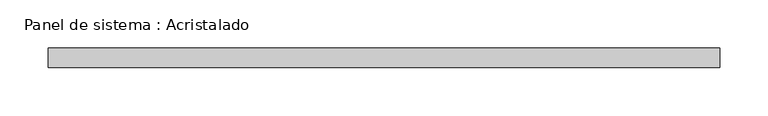
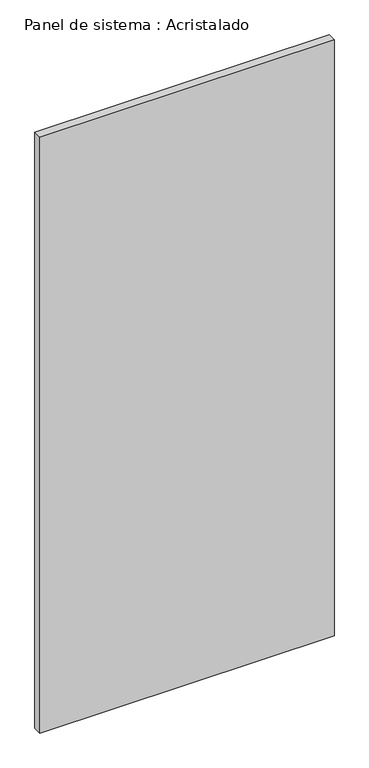
"""IFC4 building model written with IfcOpenShell, lengths in millimetres: plate geometry, Panel de sistema : Acristalado."""

import ifcopenshell
import ifcopenshell.guid

model = None  # the IFC model being written
_history = None  # IfcOwnerHistory: only IFC2X3 demands one
_inside = {}  # id of a spatial element -> (the spatial element, [elements in it])
_under = {}  # id of a project, library or spatial element -> (it, [spatial elements below it])
_declared = {}  # id of a project -> (the project, [libraries it declares])
_typed = {}  # id of a type object -> (the type object, [elements of that type])
_made_of = {}  # id of a material, layer set ... -> (it, [elements and type objects made of it])


def new_model(schema):
    """Start an empty IFC model of exactly this schema.

    Asked for "IFC4X3", IfcOpenShell would pick the latest addendum, in which some entities
    have other attributes; the version numbers below select the first issue.
    IFC2X3 requires an IfcOwnerHistory on every rooted entity: one is made here for all.
    """
    global model, _history
    if schema == "IFC4X3":
        model = ifcopenshell.file(schema_version=(4, 3, 0, 0))
    else:
        model = ifcopenshell.file(schema=schema)
    _inside.clear()
    _under.clear()
    _declared.clear()
    _typed.clear()
    _made_of.clear()
    _history = None
    if model.schema == "IFC2X3":
        org = make("IfcOrganization", Name="unknown")
        user = make(
            "IfcPersonAndOrganization",
            ThePerson=make("IfcPerson", FamilyName="unknown"),
            TheOrganization=org,
        )
        app = make(
            "IfcApplication",
            ApplicationDeveloper=org,
            Version="unknown",
            ApplicationFullName="unknown",
            ApplicationIdentifier="unknown",
        )
        _history = make(
            "IfcOwnerHistory",
            OwningUser=user,
            OwningApplication=app,
            ChangeAction="ADDED",
            CreationDate=0,
        )
    return model


def make(cls, **values):
    """One entity of the class cls with the attributes given. An attribute that is None is left unset."""
    return model.create_entity(
        cls, **{name: value for name, value in values.items() if value is not None}
    )


def rooted(cls, **values):
    """An entity with a GlobalId (a new one), such as an element, a storey or a relation."""
    return make(cls, GlobalId=ifcopenshell.guid.new(), OwnerHistory=_history, **values)


def si_unit(unit_type, name, prefix=None):
    """IfcSIUnit, for example si_unit("LENGTHUNIT", "METRE", prefix="MILLI")."""
    return make("IfcSIUnit", UnitType=unit_type, Prefix=prefix, Name=name)


def assignment(units):
    """IfcUnitAssignment: the units of a project."""
    return None if units is None else make("IfcUnitAssignment", Units=units)


def point(xyz):
    """IfcCartesianPoint."""
    return None if xyz is None else make("IfcCartesianPoint", Coordinates=xyz)


def direction(xyz):
    """IfcDirection."""
    return None if xyz is None else make("IfcDirection", DirectionRatios=xyz)


def frame(location, z_axis=None, x_axis=None):
    """IfcAxis2Placement3D, a coordinate frame: its origin and axes. An axis left out is left unset."""
    return make(
        "IfcAxis2Placement3D",
        Location=point(location),
        Axis=direction(z_axis),
        RefDirection=direction(x_axis),
    )


def origin():
    """The frame at (0, 0, 0) with its axes left unset."""
    return frame((0.0, 0.0, 0.0))


def origin_with_axes():
    """The frame at (0, 0, 0) with the z axis (0, 0, 1) and the x axis (1, 0, 0) written out."""
    return frame((0.0, 0.0, 0.0), z_axis=(0.0, 0.0, 1.0), x_axis=(1.0, 0.0, 0.0))


def place(relative_to, where):
    """IfcLocalPlacement: puts the frame where relative to a parent placement (None: the world)."""
    return make(
        "IfcLocalPlacement", PlacementRelTo=relative_to, RelativePlacement=where
    )


def context(
    kind, dimensions, precision=None, world=None, true_north=None, identifier=None
):
    """IfcGeometricRepresentationContext, for example the 3D "Model" context."""
    return make(
        "IfcGeometricRepresentationContext",
        ContextIdentifier=identifier,
        ContextType=kind,
        CoordinateSpaceDimension=dimensions,
        Precision=precision,
        WorldCoordinateSystem=world,
        TrueNorth=true_north,
    )


def project(units=None, contexts=None):
    """IfcProject with its units and contexts."""
    return rooted(
        "IfcProject",
        Name="project",
        RepresentationContexts=contexts,
        UnitsInContext=assignment(units),
    )


def spatial(cls, under=None, at=None, **own):
    """A site, building, storey or space (cls), placed at a placement, below another one or the project."""
    s = rooted(cls, ObjectPlacement=at, **own)
    if under is not None:
        _under.setdefault(under.id(), (under, []))[1].append(s)
    return s


def polyline(points):
    """IfcPolyline through the points."""
    return make("IfcPolyline", Points=[point(p) for p in points])


def outline(outer, holes=None, kind="AREA"):
    """IfcArbitraryClosedProfileDef: a profile drawn as a closed curve; with holes, ...WithVoids."""
    if holes is None:
        return make("IfcArbitraryClosedProfileDef", ProfileType=kind, OuterCurve=outer)
    return make(
        "IfcArbitraryProfileDefWithVoids",
        ProfileType=kind,
        OuterCurve=outer,
        InnerCurves=holes,
    )


def extrude(swept, where, along, depth):
    """IfcExtrudedAreaSolid: the profile swept, set in the frame where, extruded along a direction by depth."""
    return make(
        "IfcExtrudedAreaSolid",
        SweptArea=swept,
        Position=where,
        ExtrudedDirection=direction(along),
        Depth=depth,
    )


def shape(context_of_items, identifier, shape_type, items):
    """IfcShapeRepresentation: the items that make up one representation, for example the "Body"."""
    return make(
        "IfcShapeRepresentation",
        ContextOfItems=context_of_items,
        RepresentationIdentifier=identifier,
        RepresentationType=shape_type,
        Items=items,
    )


def source(mapping_origin, context_of_items, identifier, shape_type, items):
    """IfcRepresentationMap: a shape defined once, which mapped items show again and again."""
    return make(
        "IfcRepresentationMap",
        MappingOrigin=mapping_origin,
        MappedRepresentation=shape(context_of_items, identifier, shape_type, items),
    )


def transform(
    local_origin,
    x_axis=None,
    y_axis=None,
    z_axis=None,
    scale=None,
    scale2=None,
    scale3=None,
    uniform=True,
):
    """IfcCartesianTransformationOperator3D, or its non-uniform kind. x_axis, y_axis, z_axis: its Axis1, 2, 3."""
    if uniform:
        return make(
            "IfcCartesianTransformationOperator3D",
            Axis1=direction(x_axis),
            Axis2=direction(y_axis),
            LocalOrigin=point(local_origin),
            Scale=scale,
            Axis3=direction(z_axis),
        )
    return make(
        "IfcCartesianTransformationOperator3DnonUniform",
        Axis1=direction(x_axis),
        Axis2=direction(y_axis),
        LocalOrigin=point(local_origin),
        Scale=scale,
        Axis3=direction(z_axis),
        Scale2=scale2,
        Scale3=scale3,
    )


def mapped(mapping_source, mapping_target):
    """IfcMappedItem: shows the shape of a source again, moved by a transform."""
    return make(
        "IfcMappedItem", MappingSource=mapping_source, MappingTarget=mapping_target
    )


def made_of(thing, what):
    """Note that an element or type object is made of a material, layer set ...; save() writes the relation."""
    if what is not None:
        _made_of.setdefault(what.id(), (what, []))[1].append(thing)
    return thing


def element(
    cls,
    number,
    at=None,
    inside=None,
    cuts=None,
    type_object=None,
    material=None,
    context=None,
    identifier="Body",
    shape_type=None,
    held_by="IfcProductDefinitionShape",
    body=None,
    shapes=None,
    **own,
):
    """One element of the class cls, such as IfcWall. Its Tag is "e" and its number.

    at: its placement. inside: the storey or other place that contains it. cuts: it is an
    opening in that element (IfcRelVoidsElement). A single representation is given by context,
    identifier, shape_type and body (its items); several are given by shapes. held_by: the class
    of the entity that holds the representations. save() writes the other relations.
    """
    e = rooted(cls, Tag="e%d" % number, ObjectPlacement=at, **own)
    if body is not None:
        shapes = [shape(context, identifier, shape_type, body)]
    if shapes is not None:
        e.Representation = make(held_by, Representations=shapes)
    if inside is not None:
        _inside.setdefault(inside.id(), (inside, []))[1].append(e)
    if cuts is not None:
        rooted(
            "IfcRelVoidsElement", RelatingBuildingElement=cuts, RelatedOpeningElement=e
        )
    if type_object is not None:
        _typed.setdefault(type_object.id(), (type_object, []))[1].append(e)
    return made_of(e, material)


def aggregate(whole, parts):
    """IfcRelAggregates: a whole, such as a stair, and the parts it consists of."""
    return rooted("IfcRelAggregates", RelatingObject=whole, RelatedObjects=parts)


def save(model, path):
    """Write the relations noted so far, then the file.

    IfcRelAggregates (storeys below a building ...), IfcRelContainedInSpatialStructure (elements
    in a storey), IfcRelDefinesByType, IfcRelAssociatesMaterial and IfcRelDeclares: one each for
    every whole, place, type object, material and project.
    """
    for whole, parts in _under.values():
        aggregate(whole, parts)
    for where, things in _inside.values():
        rooted(
            "IfcRelContainedInSpatialStructure",
            RelatedElements=things,
            RelatingStructure=where,
        )
    for kind, things in _typed.values():
        rooted("IfcRelDefinesByType", RelatedObjects=things, RelatingType=kind)
    for what, things in _made_of.values():
        rooted("IfcRelAssociatesMaterial", RelatedObjects=things, RelatingMaterial=what)
    for by, libraries in _declared.values():
        rooted("IfcRelDeclares", RelatingContext=by, RelatedDefinitions=libraries)
    model.write(path)


def panel_de_sistema_acristalado_f81b2c05(model_context):
    return source(origin(), model_context, "Body", "SweptSolid", [
        extrude(outline(polyline([(346.7967979, -10.0), (-346.7967979, -10.0), (-346.7967979, 10.0), (346.7967979, 10.0), (346.7967979, -10.0)])), origin_with_axes(), (0.0, 0.0, 1.0), 1484.7728258),
    ])


if __name__ == "__main__":
    model = new_model("IFC4")
    model_context = context("Model", 3, world=origin())
    ifc_project = project(units=[si_unit("LENGTHUNIT", "METRE", prefix="MILLI")], contexts=[model_context])
    site = spatial("IfcSite", under=ifc_project)
    building = spatial("IfcBuilding", under=site)
    placement = place(None, origin())
    panel_de_sistema_acristalado_shape = panel_de_sistema_acristalado_f81b2c05(model_context)
    element("IfcPlate", 1, ObjectType="Panel de sistema : Acristalado", at=placement, inside=building, context=model_context, shape_type="MappedRepresentation", body=[
        mapped(panel_de_sistema_acristalado_shape, transform((0.0, 0.0, 0.0), x_axis=(1.0, 0.0, 0.0), y_axis=(0.0, 1.0, 0.0), z_axis=(0.0, 0.0, 1.0))),
    ])
    save(model, "model.ifc")
